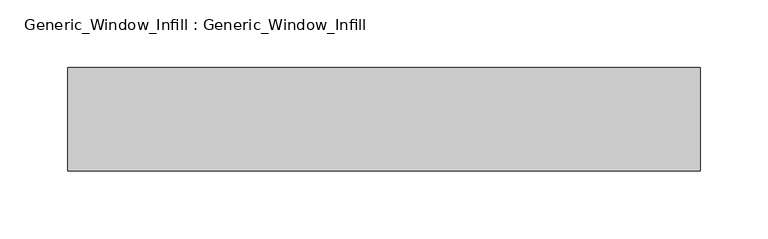
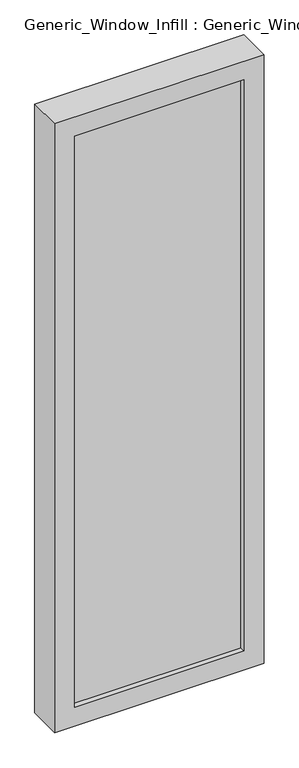
"""IFC4 building model written with IfcOpenShell, lengths in millimetres: plate geometry, Generic_Window_Infill : Generic_Window_Infill."""

import ifcopenshell
import ifcopenshell.guid

model = None  # the IFC model being written
_history = None  # IfcOwnerHistory: only IFC2X3 demands one
_inside = {}  # id of a spatial element -> (the spatial element, [elements in it])
_under = {}  # id of a project, library or spatial element -> (it, [spatial elements below it])
_declared = {}  # id of a project -> (the project, [libraries it declares])
_typed = {}  # id of a type object -> (the type object, [elements of that type])
_made_of = {}  # id of a material, layer set ... -> (it, [elements and type objects made of it])


def new_model(schema):
    """Start an empty IFC model of exactly this schema.

    Asked for "IFC4X3", IfcOpenShell would pick the latest addendum, in which some entities
    have other attributes; the version numbers below select the first issue.
    IFC2X3 requires an IfcOwnerHistory on every rooted entity: one is made here for all.
    """
    global model, _history
    if schema == "IFC4X3":
        model = ifcopenshell.file(schema_version=(4, 3, 0, 0))
    else:
        model = ifcopenshell.file(schema=schema)
    _inside.clear()
    _under.clear()
    _declared.clear()
    _typed.clear()
    _made_of.clear()
    _history = None
    if model.schema == "IFC2X3":
        org = make("IfcOrganization", Name="unknown")
        user = make(
            "IfcPersonAndOrganization",
            ThePerson=make("IfcPerson", FamilyName="unknown"),
            TheOrganization=org,
        )
        app = make(
            "IfcApplication",
            ApplicationDeveloper=org,
            Version="unknown",
            ApplicationFullName="unknown",
            ApplicationIdentifier="unknown",
        )
        _history = make(
            "IfcOwnerHistory",
            OwningUser=user,
            OwningApplication=app,
            ChangeAction="ADDED",
            CreationDate=0,
        )
    return model


def make(cls, **values):
    """One entity of the class cls with the attributes given. An attribute that is None is left unset."""
    return model.create_entity(
        cls, **{name: value for name, value in values.items() if value is not None}
    )


def rooted(cls, **values):
    """An entity with a GlobalId (a new one), such as an element, a storey or a relation."""
    return make(cls, GlobalId=ifcopenshell.guid.new(), OwnerHistory=_history, **values)


def si_unit(unit_type, name, prefix=None):
    """IfcSIUnit, for example si_unit("LENGTHUNIT", "METRE", prefix="MILLI")."""
    return make("IfcSIUnit", UnitType=unit_type, Prefix=prefix, Name=name)


def assignment(units):
    """IfcUnitAssignment: the units of a project."""
    return None if units is None else make("IfcUnitAssignment", Units=units)


def point(xyz):
    """IfcCartesianPoint."""
    return None if xyz is None else make("IfcCartesianPoint", Coordinates=xyz)


def direction(xyz):
    """IfcDirection."""
    return None if xyz is None else make("IfcDirection", DirectionRatios=xyz)


def frame(location, z_axis=None, x_axis=None):
    """IfcAxis2Placement3D, a coordinate frame: its origin and axes. An axis left out is left unset."""
    return make(
        "IfcAxis2Placement3D",
        Location=point(location),
        Axis=direction(z_axis),
        RefDirection=direction(x_axis),
    )


def origin():
    """The frame at (0, 0, 0) with its axes left unset."""
    return frame((0.0, 0.0, 0.0))


def place(relative_to, where):
    """IfcLocalPlacement: puts the frame where relative to a parent placement (None: the world)."""
    return make(
        "IfcLocalPlacement", PlacementRelTo=relative_to, RelativePlacement=where
    )


def context(
    kind, dimensions, precision=None, world=None, true_north=None, identifier=None
):
    """IfcGeometricRepresentationContext, for example the 3D "Model" context."""
    return make(
        "IfcGeometricRepresentationContext",
        ContextIdentifier=identifier,
        ContextType=kind,
        CoordinateSpaceDimension=dimensions,
        Precision=precision,
        WorldCoordinateSystem=world,
        TrueNorth=true_north,
    )


def project(units=None, contexts=None):
    """IfcProject with its units and contexts."""
    return rooted(
        "IfcProject",
        Name="project",
        RepresentationContexts=contexts,
        UnitsInContext=assignment(units),
    )


def spatial(cls, under=None, at=None, **own):
    """A site, building, storey or space (cls), placed at a placement, below another one or the project."""
    s = rooted(cls, ObjectPlacement=at, **own)
    if under is not None:
        _under.setdefault(under.id(), (under, []))[1].append(s)
    return s


def polyline(points):
    """IfcPolyline through the points."""
    return make("IfcPolyline", Points=[point(p) for p in points])


def outline(outer, holes=None, kind="AREA"):
    """IfcArbitraryClosedProfileDef: a profile drawn as a closed curve; with holes, ...WithVoids."""
    if holes is None:
        return make("IfcArbitraryClosedProfileDef", ProfileType=kind, OuterCurve=outer)
    return make(
        "IfcArbitraryProfileDefWithVoids",
        ProfileType=kind,
        OuterCurve=outer,
        InnerCurves=holes,
    )


def extrude(swept, where, along, depth):
    """IfcExtrudedAreaSolid: the profile swept, set in the frame where, extruded along a direction by depth."""
    return make(
        "IfcExtrudedAreaSolid",
        SweptArea=swept,
        Position=where,
        ExtrudedDirection=direction(along),
        Depth=depth,
    )


def shape(context_of_items, identifier, shape_type, items):
    """IfcShapeRepresentation: the items that make up one representation, for example the "Body"."""
    return make(
        "IfcShapeRepresentation",
        ContextOfItems=context_of_items,
        RepresentationIdentifier=identifier,
        RepresentationType=shape_type,
        Items=items,
    )


def source(mapping_origin, context_of_items, identifier, shape_type, items):
    """IfcRepresentationMap: a shape defined once, which mapped items show again and again."""
    return make(
        "IfcRepresentationMap",
        MappingOrigin=mapping_origin,
        MappedRepresentation=shape(context_of_items, identifier, shape_type, items),
    )


def transform(
    local_origin,
    x_axis=None,
    y_axis=None,
    z_axis=None,
    scale=None,
    scale2=None,
    scale3=None,
    uniform=True,
):
    """IfcCartesianTransformationOperator3D, or its non-uniform kind. x_axis, y_axis, z_axis: its Axis1, 2, 3."""
    if uniform:
        return make(
            "IfcCartesianTransformationOperator3D",
            Axis1=direction(x_axis),
            Axis2=direction(y_axis),
            LocalOrigin=point(local_origin),
            Scale=scale,
            Axis3=direction(z_axis),
        )
    return make(
        "IfcCartesianTransformationOperator3DnonUniform",
        Axis1=direction(x_axis),
        Axis2=direction(y_axis),
        LocalOrigin=point(local_origin),
        Scale=scale,
        Axis3=direction(z_axis),
        Scale2=scale2,
        Scale3=scale3,
    )


def mapped(mapping_source, mapping_target):
    """IfcMappedItem: shows the shape of a source again, moved by a transform."""
    return make(
        "IfcMappedItem", MappingSource=mapping_source, MappingTarget=mapping_target
    )


def made_of(thing, what):
    """Note that an element or type object is made of a material, layer set ...; save() writes the relation."""
    if what is not None:
        _made_of.setdefault(what.id(), (what, []))[1].append(thing)
    return thing


def element(
    cls,
    number,
    at=None,
    inside=None,
    cuts=None,
    type_object=None,
    material=None,
    context=None,
    identifier="Body",
    shape_type=None,
    held_by="IfcProductDefinitionShape",
    body=None,
    shapes=None,
    **own,
):
    """One element of the class cls, such as IfcWall. Its Tag is "e" and its number.

    at: its placement. inside: the storey or other place that contains it. cuts: it is an
    opening in that element (IfcRelVoidsElement). A single representation is given by context,
    identifier, shape_type and body (its items); several are given by shapes. held_by: the class
    of the entity that holds the representations. save() writes the other relations.
    """
    e = rooted(cls, Tag="e%d" % number, ObjectPlacement=at, **own)
    if body is not None:
        shapes = [shape(context, identifier, shape_type, body)]
    if shapes is not None:
        e.Representation = make(held_by, Representations=shapes)
    if inside is not None:
        _inside.setdefault(inside.id(), (inside, []))[1].append(e)
    if cuts is not None:
        rooted(
            "IfcRelVoidsElement", RelatingBuildingElement=cuts, RelatedOpeningElement=e
        )
    if type_object is not None:
        _typed.setdefault(type_object.id(), (type_object, []))[1].append(e)
    return made_of(e, material)


def aggregate(whole, parts):
    """IfcRelAggregates: a whole, such as a stair, and the parts it consists of."""
    return rooted("IfcRelAggregates", RelatingObject=whole, RelatedObjects=parts)


def save(model, path):
    """Write the relations noted so far, then the file.

    IfcRelAggregates (storeys below a building ...), IfcRelContainedInSpatialStructure (elements
    in a storey), IfcRelDefinesByType, IfcRelAssociatesMaterial and IfcRelDeclares: one each for
    every whole, place, type object, material and project.
    """
    for whole, parts in _under.values():
        aggregate(whole, parts)
    for where, things in _inside.values():
        rooted(
            "IfcRelContainedInSpatialStructure",
            RelatedElements=things,
            RelatingStructure=where,
        )
    for kind, things in _typed.values():
        rooted("IfcRelDefinesByType", RelatedObjects=things, RelatingType=kind)
    for what, things in _made_of.values():
        rooted("IfcRelAssociatesMaterial", RelatedObjects=things, RelatingMaterial=what)
    for by, libraries in _declared.values():
        rooted("IfcRelDeclares", RelatingContext=by, RelatedDefinitions=libraries)
    model.write(path)


def generic_window_infill_generic_window_infill_ff26b55e(model_context):
    return source(origin(), model_context, "Body", "SweptSolid", [
        extrude(outline(polyline([(188.9125, 12.0261239), (-188.9125, 12.0261239), (-188.9125, 42.4497356), (188.9125, 42.4497356), (188.9125, 12.0261239)])), frame((0.0, 0.0, 44.45), z_axis=(0.0, 0.0, 1.0), x_axis=(1.0, 0.0, 0.0)), (0.0, 0.0, 1.0), 1346.2),
        extrude(outline(polyline([(1435.1, 233.3625), (1435.1, -233.3625), (0.0, -233.3625), (0.0, 233.3625), (1435.1, 233.3625)]), holes=[polyline([(44.45, 188.9125), (44.45, -188.9125), (1390.65, -188.9125), (1390.65, 188.9125), (44.45, 188.9125)])]), frame((0.0, 0.0, 0.0), z_axis=(0.0, 1.0, 0.0), x_axis=(0.0, 0.0, 1.0)), (0.0, 0.0, 1.0), 76.2),
    ])


if __name__ == "__main__":
    model = new_model("IFC4")
    model_context = context("Model", 3, world=origin())
    ifc_project = project(units=[si_unit("LENGTHUNIT", "METRE", prefix="MILLI")], contexts=[model_context])
    site = spatial("IfcSite", under=ifc_project)
    building = spatial("IfcBuilding", under=site)
    placement = place(None, origin())
    generic_window_infill_generic_window_infill_shape = generic_window_infill_generic_window_infill_ff26b55e(model_context)
    element("IfcPlate", 1, ObjectType="Generic_Window_Infill : Generic_Window_Infill", at=placement, inside=building, context=model_context, shape_type="MappedRepresentation", body=[
        mapped(generic_window_infill_generic_window_infill_shape, transform((0.0, 0.0, 0.0), x_axis=(1.0, 0.0, 0.0), y_axis=(0.0, 1.0, 0.0), z_axis=(0.0, 0.0, 1.0))),
    ])
    save(model, "model.ifc")
